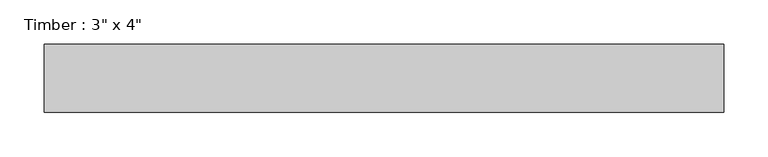
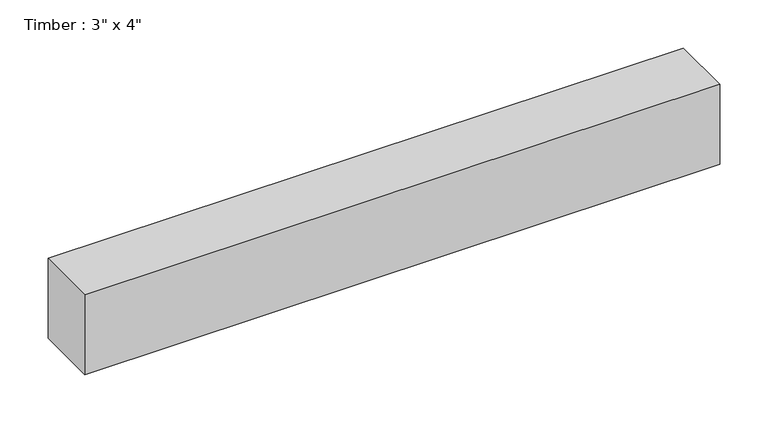
"""IFC4 building model written with IfcOpenShell, lengths in millimetres: beam geometry."""

from ifc_helpers import new_model, si_unit, frame, origin, place, context, project, spatial, polyline, outline, extrude, source, transform, mapped, element, save


def beam_dba32dda(model_context):
    return source(origin(), model_context, "Body", "SweptSolid", [
        extrude(outline(polyline([(381.4757726, 38.1), (381.4757726, -38.1), (-381.4757726, -38.1), (-381.4757726, 38.1), (381.4757726, 38.1)])), frame((0.0, 0.0, -50.8), z_axis=(0.0, 0.0, 1.0), x_axis=(1.0, 0.0, 0.0)), (0.0, 0.0, 1.0), 101.6),
    ])


if __name__ == "__main__":
    model = new_model("IFC4")
    model_context = context("Model", 3, world=origin())
    ifc_project = project(units=[si_unit("LENGTHUNIT", "METRE", prefix="MILLI")], contexts=[model_context])
    site = spatial("IfcSite", under=ifc_project)
    building = spatial("IfcBuilding", under=site)
    placement = place(None, origin())
    beam_shape = beam_dba32dda(model_context)
    element("IfcBeam", 1, ObjectType="Timber : 3\" x 4\"", at=placement, inside=building, context=model_context, shape_type="MappedRepresentation", body=[
        mapped(beam_shape, transform((0.0, 0.0, 0.0), x_axis=(1.0, 0.0, 0.0), y_axis=(0.0, 1.0, 0.0), z_axis=(0.0, 0.0, 1.0))),
    ])
    save(model, "model.ifc")
